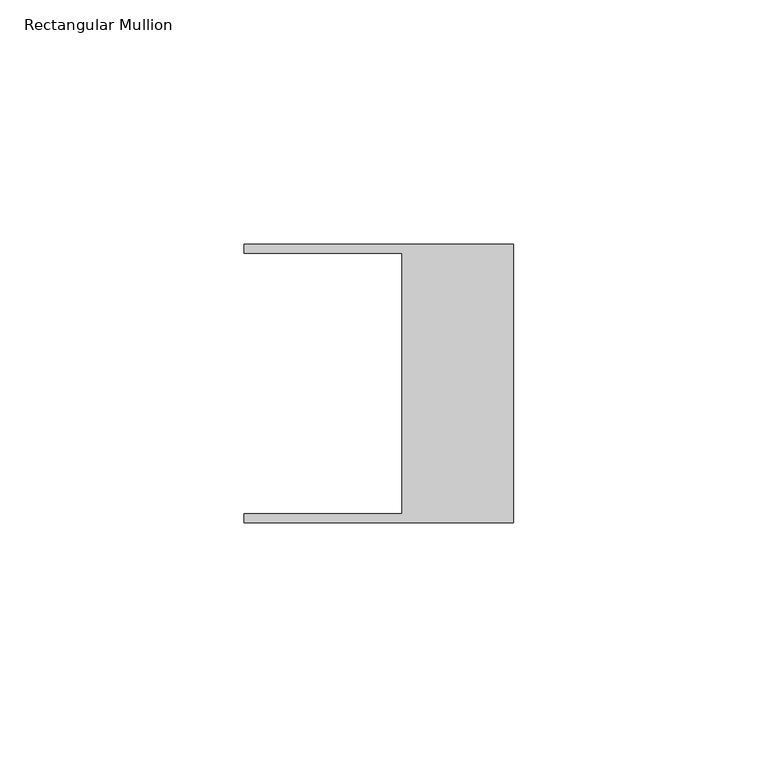
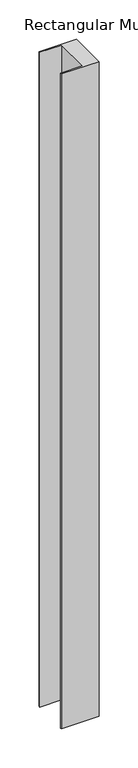
"""IFC4 building model written with IfcOpenShell, lengths in millimetres: member geometry, Rectangular Mullion."""

from ifc_helpers import new_model, si_unit, frame, origin, place, context, project, spatial, polyline, outline, extrude, source, transform, mapped, element, save


def rectangular_mullion_2f2f8445(model_context):
    return source(origin(), model_context, "Body", "SweptSolid", [
        extrude(outline(polyline([(-55.118, 26.67), (-55.118, 28.448), (0.0, 28.448), (0.0, -28.448), (-55.118, -28.448), (-55.118, -26.67), (-22.86, -26.67), (-22.86, 26.67), (-55.118, 26.67)])), frame((0.0, 0.0, -1017.0604372), z_axis=(0.0, 0.0, 1.0), x_axis=(1.0, 0.0, 0.0)), (0.0, 0.0, 1.0), 1017.0604372),
    ])


if __name__ == "__main__":
    model = new_model("IFC4")
    model_context = context("Model", 3, world=origin())
    ifc_project = project(units=[si_unit("LENGTHUNIT", "METRE", prefix="MILLI")], contexts=[model_context])
    site = spatial("IfcSite", under=ifc_project)
    building = spatial("IfcBuilding", under=site)
    placement = place(None, origin())
    rectangular_mullion_shape = rectangular_mullion_2f2f8445(model_context)
    element("IfcMember", 1, ObjectType="Rectangular Mullion", at=placement, inside=building, context=model_context, shape_type="MappedRepresentation", body=[
        mapped(rectangular_mullion_shape, transform((0.0, 0.0, 0.0), x_axis=(1.0, 0.0, 0.0), y_axis=(0.0, 1.0, 0.0), z_axis=(0.0, 0.0, 1.0))),
    ])
    save(model, "model.ifc")
